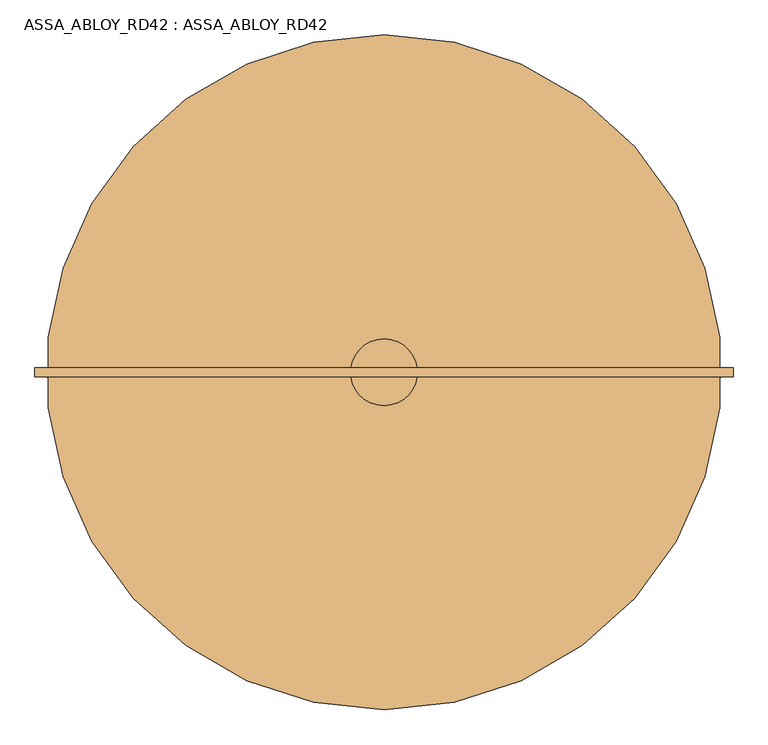
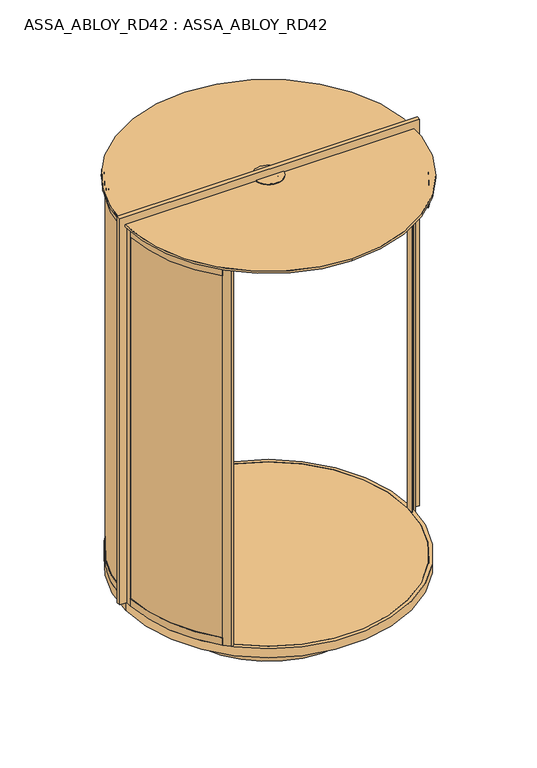
"""IFC4 building model written with IfcOpenShell, lengths in millimetres: door geometry, ASSA_ABLOY_RD42 : ASSA_ABLOY_RD42."""

from ifc_helpers import new_model, si_unit, point, frame, frame_2d, origin, origin_with_axes, place, context, project, spatial, polyline, circle_curve, trimmed, segment, composite_curve, outline, extrude, source, transform, mapped, element, save
from ifc_brep_helpers import plane_surface, cylinder_surface, revolved_surface, advanced_brep


def assa_abloy_rd42_assa_abloy_rd42_891bf0d5(model_context):
    return source(origin(), model_context, "Body", "SolidModel", [
        advanced_brep(
        [(1094.6270403, -51.6178536, 2773.0), (1120.5902772, -53.0, 2773.0), (1120.5902772, -53.0, 2723.0), (1117.5945191, -52.8405216, 2723.0), (1117.5945191, -52.8405216, 2743.0), (1097.6227984, -51.777332, 2743.0), (1097.6227984, -51.777332, 2723.0), (1094.6270403, -51.6178536, 2723.0), (825.2358565, -672.6891892, 2773.0), (825.2358565, -672.6891892, 2723.0), (827.3993041, -674.7675286, 2723.0), (827.3993041, -674.7675286, 2743.0), (841.8222877, -688.6231246, 2743.0), (841.8222877, -688.6231246, 2723.0), (843.9857353, -690.7014641, 2723.0), (843.9857353, -690.7014641, 2773.0)],
        [
            (0, 1),
            (1, 2),
            (2, 3),
            (3, 4),
            (4, 5),
            (5, 6),
            (6, 7),
            (7, 0),
            (8, 9),
            (9, 10),
            (10, 11),
            (11, 12),
            (12, 13),
            (13, 14),
            (14, 15),
            (15, 8),
            (8, 0, circle_curve(frame((125.0, 0.0, 2773.0), z_axis=(0.0, 0.0, 1.0), x_axis=(0.9985860352782786, -0.05315947843243415, 0.0)), 971.0)),
            (7, 9, circle_curve(frame((125.0, 0.0, 2723.0), z_axis=(0.0, 0.0, -1.0), x_axis=(0.9985860352782786, -0.05315947843243415, 0.0)), 971.0)),
            (6, 10, circle_curve(frame((125.0, 0.0, 2723.0), z_axis=(0.0, 0.0, -1.0), x_axis=(0.9985860352782786, -0.05315947843243415, 0.0)), 974.0)),
            (14, 2, circle_curve(frame((125.0, 0.0, 2723.0), z_axis=(0.0, 0.0, 1.0), x_axis=(0.9985860352782786, -0.05315947843243415, 0.0)), 997.0)),
            (1, 15, circle_curve(frame((125.0, 0.0, 2773.0), z_axis=(0.0, 0.0, -1.0), x_axis=(0.9985860352782786, -0.05315947843243415, 0.0)), 997.0)),
            (5, 11, circle_curve(frame((125.0, 0.0, 2743.0), z_axis=(0.0, 0.0, -1.0), x_axis=(0.9985860352782786, -0.05315947843243415, 0.0)), 974.0)),
            (4, 12, circle_curve(frame((125.0, 0.0, 2743.0), z_axis=(0.0, 0.0, -1.0), x_axis=(0.9985860352782786, -0.05315947843243415, 0.0)), 994.0)),
            (3, 13, circle_curve(frame((125.0, 0.0, 2723.0), z_axis=(0.0, 0.0, -1.0), x_axis=(0.9985860352782786, -0.05315947843243415, 0.0)), 994.0)),
        ],
        [
            plane_surface(frame((1120.5902772, -53.0, 2773.0), z_axis=(0.053159478432434126, 0.9985860352782787, 0.0), x_axis=(0.0, 0.0, 1.0))),
            plane_surface(frame((843.9857353, -690.7014641, 2773.0), z_axis=(-0.6927798034572433, -0.7211491828475877, 0.0), x_axis=(0.0, 0.0, 1.0))),
            revolved_surface(polyline([(1094.6270402552086, -51.617853557893554, 2723.0), (1094.6270402552086, -51.617853557893554, 2773.0)]), (125.0, 0.0, 2773.0), (0.0, 0.0, -1.0)),
            plane_surface(frame((125.0, 0.0, 2723.0), z_axis=(0.0, 0.0, -1.0), x_axis=(0.9985860352782787, -0.053159478432434154, 0.0))),
            cylinder_surface(frame((125.0, 0.0, 2773.0), z_axis=(0.0, 0.0, -1.0), x_axis=(0.9985860352782786, -0.05315947843243415, 0.0)), 997.0),
            plane_surface(frame((125.0, 0.0, 2773.0), z_axis=(0.0, 0.0, 1.0), x_axis=(0.9985860352782787, -0.053159478432434154, 0.0))),
            cylinder_surface(frame((125.0, 0.0, 2773.0), z_axis=(0.0, 0.0, -1.0), x_axis=(0.9985860352782786, -0.05315947843243415, 0.0)), 974.0),
            plane_surface(frame((125.0, 0.0, 2743.0), z_axis=(0.0, 0.0, -1.0), x_axis=(0.9985860352782787, -0.053159478432434154, 0.0))),
            revolved_surface(polyline([(1117.5945190666089, -52.840521561839545, 2723.0), (1117.5945190666089, -52.840521561839545, 2743.0)]), (125.0, 0.0, 2773.0), (0.0, 0.0, -1.0)),
        ],
        [
            (0, [[1, 2, 3, 4, 5, 6, 7, 8]]),
            (1, [[9, 10, 11, 12, 13, 14, 15, 16]]),
            (2, [[17, -8, 18, -9]]),
            (3, [[-18, -7, 19, -10]]),
            (4, [[20, -2, 21, -15]]),
            (5, [[-21, -1, -17, -16]]),
            (6, [[-19, -6, 22, -11]]),
            (7, [[-22, -5, 23, -12]]),
            (8, [[-23, -4, 24, -13]]),
            (3, [[-24, -3, -20, -14]]),
        ],
    ),
        extrude(outline(polyline([(1122.0, 0.0), (1122.0, -53.0), (1119.0, -53.0), (1119.0, -33.0), (1099.0, -33.0), (1099.0, -53.0), (1096.0, -53.0), (1096.0, 0.0), (1122.0, 0.0)])), origin_with_axes(), (0.0, 0.0, 1.0), 2773.0),
        extrude(outline(composite_curve([segment(trimmed(circle_curve(frame_2d((125.0, 0.0)), 979.0), [point((-567.2575388, 692.2575388))], [point((-853.4493032, 32.8323171))], True, "CARTESIAN"), True, "CONTINUOUS"), segment(polyline([(-853.4493032, 32.8323171), (-863.4436781, 33.1676829)]), True, "CONTINUOUS"), segment(trimmed(circle_curve(frame_2d((125.0, 0.0)), 989.0), [point((-863.4436781, 33.1676829))], [point((-574.3286066, 699.3286066))], False, "CARTESIAN"), True, "CONTINUOUS"), segment(polyline([(-574.3286066, 699.3286066), (-567.2575388, 692.2575388)]), True, "CONTINUOUS")], self_intersect=False)), frame((0.0, 0.0, 33.0), z_axis=(0.0, 0.0, 1.0), x_axis=(1.0, 0.0, 0.0)), (0.0, 0.0, 1.0), 2715.0),
        advanced_brep(
        [(-575.2358565, 672.6891892, 0.0), (-593.9857353, 690.701464, 0.0), (-593.9857353, 690.701464, 53.0), (-591.8222877, 688.6231246, 53.0), (-591.8222877, 688.6231246, 33.0), (-577.3993041, 674.7675286, 33.0), (-577.3993041, 674.7675286, 53.0), (-575.2358565, 672.6891892, 53.0), (-844.6270403, 51.6178536, 0.0), (-844.6270403, 51.6178536, 53.0), (-847.6227984, 51.777332, 53.0), (-847.6227984, 51.777332, 33.0), (-867.5945191, 52.8405216, 33.0), (-867.5945191, 52.8405216, 53.0), (-870.5902772, 53.0, 53.0), (-870.5902772, 53.0, 0.0)],
        [
            (0, 1),
            (1, 2),
            (2, 3),
            (3, 4),
            (4, 5),
            (5, 6),
            (6, 7),
            (7, 0),
            (8, 9),
            (9, 10),
            (10, 11),
            (11, 12),
            (12, 13),
            (13, 14),
            (14, 15),
            (15, 8),
            (8, 0, circle_curve(frame((125.0, 0.0, 0.0), z_axis=(0.0, 0.0, -1.0), x_axis=(-0.7211491828453972, 0.6927798034595233, 0.0)), 971.0)),
            (7, 9, circle_curve(frame((125.0, 0.0, 53.0), z_axis=(0.0, 0.0, 1.0), x_axis=(-0.7211491828453972, 0.6927798034595233, 0.0)), 971.0)),
            (6, 10, circle_curve(frame((125.0, 0.0, 53.0), z_axis=(0.0, 0.0, 1.0), x_axis=(-0.7211491828453972, 0.6927798034595233, 0.0)), 974.0)),
            (5, 11, circle_curve(frame((125.0, 0.0, 33.0), z_axis=(0.0, 0.0, 1.0), x_axis=(-0.7211491828453972, 0.6927798034595233, 0.0)), 974.0)),
            (4, 12, circle_curve(frame((125.0, 0.0, 33.0), z_axis=(0.0, 0.0, 1.0), x_axis=(-0.7211491828453972, 0.6927798034595233, 0.0)), 994.0)),
            (3, 13, circle_curve(frame((125.0, 0.0, 53.0), z_axis=(0.0, 0.0, 1.0), x_axis=(-0.7211491828453972, 0.6927798034595233, 0.0)), 994.0)),
            (2, 14, circle_curve(frame((125.0, 0.0, 53.0), z_axis=(0.0, 0.0, 1.0), x_axis=(-0.7211491828453972, 0.6927798034595233, 0.0)), 997.0)),
            (1, 15, circle_curve(frame((125.0, 0.0, 0.0), z_axis=(0.0, 0.0, 1.0), x_axis=(-0.7211491828453972, 0.6927798034595233, 0.0)), 997.0)),
        ],
        [
            plane_surface(frame((-593.9857353, 690.701464, 0.0), z_axis=(0.6927798034595234, 0.7211491828453973, 0.0), x_axis=(0.0, 0.0, 1.0))),
            plane_surface(frame((-870.5902772, 53.0, 0.0), z_axis=(-0.053159478434998075, -0.9985860352781423, 0.0), x_axis=(0.0, 0.0, 1.0))),
            revolved_surface(polyline([(-575.2358565428807, 672.6891891591971, 53.0), (-575.2358565428807, 672.6891891591971, 0.0)]), (125.0, 0.0, 0.0), (0.0, 0.0, 1.0)),
            plane_surface(frame((125.0, 0.0, 53.0), z_axis=(0.0, 0.0, 1.0), x_axis=(-0.7211491828453973, 0.6927798034595234, 0.0))),
            cylinder_surface(frame((125.0, 0.0, 0.0), z_axis=(0.0, 0.0, 1.0), x_axis=(-0.7211491828453972, 0.6927798034595233, 0.0)), 974.0),
            plane_surface(frame((125.0, 0.0, 33.0), z_axis=(0.0, 0.0, 1.0), x_axis=(-0.7211491828453973, 0.6927798034595234, 0.0))),
            revolved_surface(polyline([(-591.8222877483248, 688.6231246387662, 53.0), (-591.8222877483248, 688.6231246387662, 33.0)]), (125.0, 0.0, 0.0), (0.0, 0.0, 1.0)),
            cylinder_surface(frame((125.0, 0.0, 0.0), z_axis=(0.0, 0.0, 1.0), x_axis=(-0.7211491828453972, 0.6927798034595233, 0.0)), 997.0),
            plane_surface(frame((125.0, 0.0, 0.0), z_axis=(0.0, 0.0, -1.0), x_axis=(-0.7211491828453973, 0.6927798034595234, 0.0))),
        ],
        [
            (0, [[1, 2, 3, 4, 5, 6, 7, 8]]),
            (1, [[9, 10, 11, 12, 13, 14, 15, 16]]),
            (2, [[17, -8, 18, -9]]),
            (3, [[-18, -7, 19, -10]]),
            (4, [[-19, -6, 20, -11]]),
            (5, [[-20, -5, 21, -12]]),
            (6, [[-21, -4, 22, -13]]),
            (3, [[-22, -3, 23, -14]]),
            (7, [[-23, -2, 24, -15]]),
            (8, [[-24, -1, -17, -16]]),
        ],
    ),
        advanced_brep(
        [(-844.6270403, 51.6178536, 2773.0), (-870.5902772, 53.0, 2773.0), (-870.5902772, 53.0, 2723.0), (-867.5945191, 52.8405216, 2723.0), (-867.5945191, 52.8405216, 2743.0), (-847.6227984, 51.777332, 2743.0), (-847.6227984, 51.777332, 2723.0), (-844.6270403, 51.6178536, 2723.0), (-575.2358565, 672.6891892, 2773.0), (-575.2358565, 672.6891892, 2723.0), (-577.3993041, 674.7675286, 2723.0), (-577.3993041, 674.7675286, 2743.0), (-591.8222877, 688.6231246, 2743.0), (-591.8222877, 688.6231246, 2723.0), (-593.9857353, 690.701464, 2723.0), (-593.9857353, 690.701464, 2773.0)],
        [
            (0, 1),
            (1, 2),
            (2, 3),
            (3, 4),
            (4, 5),
            (5, 6),
            (6, 7),
            (7, 0),
            (8, 9),
            (9, 10),
            (10, 11),
            (11, 12),
            (12, 13),
            (13, 14),
            (14, 15),
            (15, 8),
            (8, 0, circle_curve(frame((125.0, 0.0, 2773.0), z_axis=(0.0, 0.0, 1.0), x_axis=(-0.9985860352779656, 0.05315947843831304, 0.0)), 971.0)),
            (7, 9, circle_curve(frame((125.0, 0.0, 2723.0), z_axis=(0.0, 0.0, -1.0), x_axis=(-0.9985860352779656, 0.05315947843831304, 0.0)), 971.0)),
            (6, 10, circle_curve(frame((125.0, 0.0, 2723.0), z_axis=(0.0, 0.0, -1.0), x_axis=(-0.9985860352779656, 0.05315947843831304, 0.0)), 974.0)),
            (14, 2, circle_curve(frame((125.0, 0.0, 2723.0), z_axis=(0.0, 0.0, 1.0), x_axis=(-0.9985860352779656, 0.05315947843831304, 0.0)), 997.0)),
            (1, 15, circle_curve(frame((125.0, 0.0, 2773.0), z_axis=(0.0, 0.0, -1.0), x_axis=(-0.9985860352779656, 0.05315947843831304, 0.0)), 997.0)),
            (5, 11, circle_curve(frame((125.0, 0.0, 2743.0), z_axis=(0.0, 0.0, -1.0), x_axis=(-0.9985860352779656, 0.05315947843831304, 0.0)), 974.0)),
            (4, 12, circle_curve(frame((125.0, 0.0, 2743.0), z_axis=(0.0, 0.0, -1.0), x_axis=(-0.9985860352779656, 0.05315947843831304, 0.0)), 994.0)),
            (3, 13, circle_curve(frame((125.0, 0.0, 2723.0), z_axis=(0.0, 0.0, -1.0), x_axis=(-0.9985860352779656, 0.05315947843831304, 0.0)), 994.0)),
        ],
        [
            plane_surface(frame((-870.5902772, 53.0, 2773.0), z_axis=(-0.05315947843831305, -0.9985860352779657, 0.0), x_axis=(0.0, 0.0, 1.0))),
            plane_surface(frame((-593.9857353, 690.701464, 2773.0), z_axis=(0.6927798034621091, 0.7211491828429132, 0.0), x_axis=(0.0, 0.0, 1.0))),
            revolved_surface(polyline([(-844.6270402549046, 51.61785356360196, 2723.0), (-844.6270402549046, 51.61785356360196, 2773.0)]), (125.0, 0.0, 2773.0), (0.0, 0.0, -1.0)),
            plane_surface(frame((125.0, 0.0, 2723.0), z_axis=(0.0, 0.0, -1.0), x_axis=(-0.9985860352779657, 0.05315947843831305, 0.0))),
            cylinder_surface(frame((125.0, 0.0, 2773.0), z_axis=(0.0, 0.0, -1.0), x_axis=(-0.9985860352779656, 0.05315947843831304, 0.0)), 997.0),
            plane_surface(frame((125.0, 0.0, 2773.0), z_axis=(0.0, 0.0, 1.0), x_axis=(-0.9985860352779657, 0.05315947843831305, 0.0))),
            cylinder_surface(frame((125.0, 0.0, 2773.0), z_axis=(0.0, 0.0, -1.0), x_axis=(-0.9985860352779656, 0.05315947843831304, 0.0)), 974.0),
            plane_surface(frame((125.0, 0.0, 2743.0), z_axis=(0.0, 0.0, -1.0), x_axis=(-0.9985860352779657, 0.05315947843831305, 0.0))),
            revolved_surface(polyline([(-867.5945190662978, 52.84052156768316, 2723.0), (-867.5945190662978, 52.84052156768316, 2743.0)]), (125.0, 0.0, 2773.0), (0.0, 0.0, -1.0)),
        ],
        [
            (0, [[1, 2, 3, 4, 5, 6, 7, 8]]),
            (1, [[9, 10, 11, 12, 13, 14, 15, 16]]),
            (2, [[17, -8, 18, -9]]),
            (3, [[-18, -7, 19, -10]]),
            (4, [[20, -2, 21, -15]]),
            (5, [[-21, -1, -17, -16]]),
            (6, [[-19, -6, 22, -11]]),
            (7, [[-22, -5, 23, -12]]),
            (8, [[-23, -4, 24, -13]]),
            (3, [[-24, -3, -20, -14]]),
        ],
    ),
        extrude(outline(composite_curve([segment(polyline([(-577.863883, 702.863883), (-592.0060186, 688.7217474), (-594.1270815, 690.8428103), (-549.5793543, 735.3905375), (-550.2864632, 736.0976464), (-529.0719672, 757.3121425)]), True, "CONTINUOUS"), segment(trimmed(circle_curve(frame_2d((-519.1727276, 747.4129028)), 13.9996389), [point((-529.0719672, 757.3121425))], [point((-509.273488, 737.5136632))], False, "CARTESIAN"), True, "CONTINUOUS"), segment(polyline([(-509.273488, 737.5136632), (-530.487984, 716.2991672), (-531.1950929, 717.0062761), (-575.7428202, 672.4585489), (-577.863883, 674.5796118), (-563.7217474, 688.7217474), (-577.863883, 702.863883)]), True, "CONTINUOUS")], self_intersect=False)), origin_with_axes(), (0.0, 0.0, 1.0), 2773.0),
        extrude(outline(polyline([(-872.0, 0.0), (-872.0, 53.0), (-869.0, 53.0), (-869.0, 33.0), (-849.0, 33.0), (-849.0, 53.0), (-846.0, 53.0), (-846.0, 0.0), (-872.0, 0.0)])), origin_with_axes(), (0.0, 0.0, 1.0), 2773.0),
        extrude(outline(composite_curve([segment(trimmed(circle_curve(frame_2d((125.0, 0.0)), 989.0), [point((-574.3286066, -699.3286066))], [point((-863.4436781, -33.1676829))], False, "CARTESIAN"), True, "CONTINUOUS"), segment(polyline([(-863.4436781, -33.1676829), (-853.4493032, -32.8323171)]), True, "CONTINUOUS"), segment(trimmed(circle_curve(frame_2d((125.0, 0.0)), 979.0), [point((-853.4493032, -32.8323171))], [point((-567.2575388, -692.2575388))], True, "CARTESIAN"), True, "CONTINUOUS"), segment(polyline([(-567.2575388, -692.2575388), (-574.3286066, -699.3286066)]), True, "CONTINUOUS")], self_intersect=False)), frame((0.0, 0.0, 33.0), z_axis=(0.0, 0.0, 1.0), x_axis=(1.0, 0.0, 0.0)), (0.0, 0.0, 1.0), 2715.0),
        advanced_brep(
        [(-575.2358565, -672.6891892, 0.0), (-575.2358565, -672.6891892, 53.0), (-577.3993041, -674.7675286, 53.0), (-577.3993041, -674.7675286, 33.0), (-591.8222877, -688.6231246, 33.0), (-591.8222877, -688.6231246, 53.0), (-593.9857353, -690.701464, 53.0), (-593.9857353, -690.701464, 0.0), (-844.6270403, -51.6178536, 0.0), (-870.5902772, -53.0, 0.0), (-870.5902772, -53.0, 53.0), (-867.5945191, -52.8405216, 53.0), (-867.5945191, -52.8405216, 33.0), (-847.6227984, -51.777332, 33.0), (-847.6227984, -51.777332, 53.0), (-844.6270403, -51.6178536, 53.0)],
        [
            (0, 1),
            (1, 2),
            (2, 3),
            (3, 4),
            (4, 5),
            (5, 6),
            (6, 7),
            (7, 0),
            (8, 9),
            (9, 10),
            (10, 11),
            (11, 12),
            (12, 13),
            (13, 14),
            (14, 15),
            (15, 8),
            (15, 1, circle_curve(frame((125.0, 0.0, 53.0), z_axis=(0.0, 0.0, 1.0), x_axis=(-0.72114918284517, -0.6927798034597599, 0.0)), 971.0)),
            (0, 8, circle_curve(frame((125.0, 0.0, 0.0), z_axis=(0.0, 0.0, -1.0), x_axis=(-0.72114918284517, -0.6927798034597599, 0.0)), 971.0)),
            (14, 2, circle_curve(frame((125.0, 0.0, 53.0), z_axis=(0.0, 0.0, 1.0), x_axis=(-0.72114918284517, -0.6927798034597599, 0.0)), 974.0)),
            (13, 3, circle_curve(frame((125.0, 0.0, 33.0), z_axis=(0.0, 0.0, 1.0), x_axis=(-0.72114918284517, -0.6927798034597599, 0.0)), 974.0)),
            (12, 4, circle_curve(frame((125.0, 0.0, 33.0), z_axis=(0.0, 0.0, 1.0), x_axis=(-0.72114918284517, -0.6927798034597599, 0.0)), 994.0)),
            (11, 5, circle_curve(frame((125.0, 0.0, 53.0), z_axis=(0.0, 0.0, 1.0), x_axis=(-0.72114918284517, -0.6927798034597599, 0.0)), 994.0)),
            (10, 6, circle_curve(frame((125.0, 0.0, 53.0), z_axis=(0.0, 0.0, 1.0), x_axis=(-0.72114918284517, -0.6927798034597599, 0.0)), 997.0)),
            (9, 7, circle_curve(frame((125.0, 0.0, 0.0), z_axis=(0.0, 0.0, 1.0), x_axis=(-0.72114918284517, -0.6927798034597599, 0.0)), 997.0)),
        ],
        [
            plane_surface(frame((-593.9857353, -690.701464, 0.0), z_axis=(0.6927798034597599, -0.7211491828451702, 0.0), x_axis=(0.0, 0.0, 1.0))),
            plane_surface(frame((-870.5902772, -53.0, 0.0), z_axis=(-0.05315947843611757, 0.9985860352780827, 0.0), x_axis=(0.0, 0.0, 1.0))),
            revolved_surface(polyline([(-575.2358565426601, -672.6891891594269, 0.0), (-575.2358565426601, -672.6891891594269, 53.0)]), (125.0, 0.0, 0.0), (0.0, 0.0, -1.0)),
            plane_surface(frame((125.0, 0.0, 53.0), z_axis=(0.0, 0.0, 1.0), x_axis=(-0.72114918284517, -0.6927798034597599, 0.0))),
            cylinder_surface(frame((125.0, 0.0, 0.0), z_axis=(0.0, 0.0, -1.0), x_axis=(-0.72114918284517, -0.6927798034597599, 0.0)), 974.0),
            plane_surface(frame((125.0, 0.0, 33.0), z_axis=(0.0, 0.0, 1.0), x_axis=(-0.72114918284517, -0.6927798034597599, 0.0))),
            revolved_surface(polyline([(-591.822287748099, -688.6231246390013, 33.0), (-591.822287748099, -688.6231246390013, 53.0)]), (125.0, 0.0, 0.0), (0.0, 0.0, -1.0)),
            cylinder_surface(frame((125.0, 0.0, 0.0), z_axis=(0.0, 0.0, -1.0), x_axis=(-0.72114918284517, -0.6927798034597599, 0.0)), 997.0),
            plane_surface(frame((125.0, 0.0, 0.0), z_axis=(0.0, 0.0, -1.0), x_axis=(-0.72114918284517, -0.6927798034597599, 0.0))),
        ],
        [
            (0, [[1, 2, 3, 4, 5, 6, 7, 8]]),
            (1, [[9, 10, 11, 12, 13, 14, 15, 16]]),
            (2, [[17, -1, 18, -16]]),
            (3, [[19, -2, -17, -15]]),
            (4, [[20, -3, -19, -14]]),
            (5, [[21, -4, -20, -13]]),
            (6, [[22, -5, -21, -12]]),
            (3, [[23, -6, -22, -11]]),
            (7, [[24, -7, -23, -10]]),
            (8, [[-18, -8, -24, -9]]),
        ],
    ),
        advanced_brep(
        [(-844.6270403, -51.6178536, 2773.0), (-844.6270403, -51.6178536, 2723.0), (-847.6227984, -51.777332, 2723.0), (-847.6227984, -51.777332, 2743.0), (-867.5945191, -52.8405216, 2743.0), (-867.5945191, -52.8405216, 2723.0), (-870.5902772, -53.0, 2723.0), (-870.5902772, -53.0, 2773.0), (-575.2358565, -672.6891892, 2773.0), (-593.9857353, -690.7014641, 2773.0), (-593.9857353, -690.7014641, 2723.0), (-591.8222878, -688.6231246, 2723.0), (-591.8222878, -688.6231246, 2743.0), (-577.3993041, -674.7675286, 2743.0), (-577.3993041, -674.7675286, 2723.0), (-575.2358565, -672.6891892, 2723.0)],
        [
            (0, 1),
            (1, 2),
            (2, 3),
            (3, 4),
            (4, 5),
            (5, 6),
            (6, 7),
            (7, 0),
            (8, 9),
            (9, 10),
            (10, 11),
            (11, 12),
            (12, 13),
            (13, 14),
            (14, 15),
            (15, 8),
            (15, 1, circle_curve(frame((125.0, 0.0, 2723.0), z_axis=(0.0, 0.0, -1.0), x_axis=(-0.998586035278223, -0.053159478433480345, 0.0)), 971.0)),
            (0, 8, circle_curve(frame((125.0, 0.0, 2773.0), z_axis=(0.0, 0.0, 1.0), x_axis=(-0.998586035278223, -0.053159478433480345, 0.0)), 971.0)),
            (14, 2, circle_curve(frame((125.0, 0.0, 2723.0), z_axis=(0.0, 0.0, -1.0), x_axis=(-0.998586035278223, -0.053159478433480345, 0.0)), 974.0)),
            (9, 7, circle_curve(frame((125.0, 0.0, 2773.0), z_axis=(0.0, 0.0, -1.0), x_axis=(-0.998586035278223, -0.053159478433480345, 0.0)), 997.0)),
            (6, 10, circle_curve(frame((125.0, 0.0, 2723.0), z_axis=(0.0, 0.0, 1.0), x_axis=(-0.998586035278223, -0.053159478433480345, 0.0)), 997.0)),
            (13, 3, circle_curve(frame((125.0, 0.0, 2743.0), z_axis=(0.0, 0.0, -1.0), x_axis=(-0.998586035278223, -0.053159478433480345, 0.0)), 974.0)),
            (12, 4, circle_curve(frame((125.0, 0.0, 2743.0), z_axis=(0.0, 0.0, -1.0), x_axis=(-0.998586035278223, -0.053159478433480345, 0.0)), 994.0)),
            (11, 5, circle_curve(frame((125.0, 0.0, 2723.0), z_axis=(0.0, 0.0, -1.0), x_axis=(-0.998586035278223, -0.053159478433480345, 0.0)), 994.0)),
        ],
        [
            plane_surface(frame((-870.5902772, -53.0, 2773.0), z_axis=(-0.053159478433480345, 0.998586035278223, 0.0), x_axis=(0.0, 0.0, 1.0))),
            plane_surface(frame((-593.9857353, -690.7014641, 2773.0), z_axis=(0.6927798034594096, -0.7211491828455066, 0.0), x_axis=(0.0, 0.0, 1.0))),
            revolved_surface(polyline([(-844.6270402551545, -51.61785355890942, 2773.0), (-844.6270402551545, -51.61785355890942, 2723.0)]), (125.0, 0.0, 2773.0), (0.0, 0.0, 1.0)),
            plane_surface(frame((125.0, 0.0, 2723.0), z_axis=(0.0, 0.0, -1.0), x_axis=(-0.998586035278223, -0.053159478433480345, 0.0))),
            cylinder_surface(frame((125.0, 0.0, 2773.0), z_axis=(0.0, 0.0, 1.0), x_axis=(-0.998586035278223, -0.053159478433480345, 0.0)), 997.0),
            plane_surface(frame((125.0, 0.0, 2773.0), z_axis=(0.0, 0.0, 1.0), x_axis=(-0.998586035278223, -0.053159478433480345, 0.0))),
            cylinder_surface(frame((125.0, 0.0, 2773.0), z_axis=(0.0, 0.0, 1.0), x_axis=(-0.998586035278223, -0.053159478433480345, 0.0)), 974.0),
            plane_surface(frame((125.0, 0.0, 2743.0), z_axis=(0.0, 0.0, -1.0), x_axis=(-0.998586035278223, -0.053159478433480345, 0.0))),
            revolved_surface(polyline([(-867.5945190665536, -52.84052156287946, 2743.0), (-867.5945190665536, -52.84052156287946, 2723.0)]), (125.0, 0.0, 2773.0), (0.0, 0.0, 1.0)),
        ],
        [
            (0, [[1, 2, 3, 4, 5, 6, 7, 8]]),
            (1, [[9, 10, 11, 12, 13, 14, 15, 16]]),
            (2, [[17, -1, 18, -16]]),
            (3, [[19, -2, -17, -15]]),
            (4, [[20, -7, 21, -10]]),
            (5, [[-18, -8, -20, -9]]),
            (6, [[22, -3, -19, -14]]),
            (7, [[23, -4, -22, -13]]),
            (8, [[24, -5, -23, -12]]),
            (3, [[-21, -6, -24, -11]]),
        ],
    ),
        extrude(outline(composite_curve([segment(polyline([(-577.863883, -702.863883), (-563.7217474, -688.7217474), (-577.863883, -674.5796118), (-575.7428202, -672.4585489), (-538.9730103, -709.2283587)]), True, "CONTINUOUS"), segment(trimmed(circle_curve(frame_2d((-548.1651408, -718.4204896)), 12.9996359), [point((-538.9730103, -709.2283587))], [point((-557.3572715, -727.6126203))], False, "CARTESIAN"), True, "CONTINUOUS"), segment(polyline([(-557.3572715, -727.6126203), (-594.1270815, -690.8428103), (-592.0060186, -688.7217474), (-577.863883, -702.863883)]), True, "CONTINUOUS")], self_intersect=False)), origin_with_axes(), (0.0, 0.0, 1.0), 2773.0),
        extrude(outline(polyline([(-872.0, 0.0), (-846.0, 0.0), (-846.0, -53.0), (-849.0, -53.0), (-849.0, -33.0), (-869.0, -33.0), (-869.0, -53.0), (-872.0, -53.0), (-872.0, 0.0)])), origin_with_axes(), (0.0, 0.0, 1.0), 2773.0),
        extrude(outline(composite_curve([segment(trimmed(circle_curve(frame_2d((125.0, 0.0)), 971.0), [point((-846.0, 0.0))], [point((1096.0, 0.0))], False, "CARTESIAN"), True, "CONTINUOUS"), segment(trimmed(circle_curve(frame_2d((125.0, 0.0)), 971.0), [point((1096.0, 0.0))], [point((-846.0, 0.0))], False, "CARTESIAN"), True, "CONTINUOUS")], self_intersect=False)), frame((0.0, 0.0, -22.0), z_axis=(0.0, 0.0, 1.0), x_axis=(1.0, 0.0, 0.0)), (0.0, 0.0, 1.0), 22.0),
        extrude(outline(polyline([(2794.0, 1137.0), (2778.0, 1137.0), (2778.0, 1122.0), (0.0, 1122.0), (0.0, 1172.0), (2850.0, 1172.0), (2850.0, -922.0), (0.0, -922.0), (0.0, -872.0), (2778.0, -872.0), (2778.0, -887.0), (2794.0, -887.0), (2794.0, 1137.0)])), frame((0.0, -14.0, 0.0), z_axis=(0.0, 1.0, 0.0), x_axis=(0.0, 0.0, 1.0)), (0.0, 0.0, 1.0), 28.0),
        advanced_brep(
        [(1122.0, 0.0, -65.0), (-872.0, 0.0, -65.0), (-872.0, 0.0, 0.0), (1122.0, 0.0, 0.0), (125.0, 0.0, -65.0), (1096.0, 0.0, -23.0), (-846.0, 0.0, -23.0), (125.0, 0.0, -23.0), (1096.0, 0.0, 0.0), (-846.0, 0.0, 0.0)],
        [
            (0, 1, circle_curve(frame((125.0, 0.0, -65.0), z_axis=(0.0, 0.0, 1.0), x_axis=(-1.0, 0.0, 0.0)), 997.0)),
            (1, 2),
            (2, 3, circle_curve(frame((125.0, 0.0, 0.0), z_axis=(0.0, 0.0, -1.0), x_axis=(-1.0, 0.0, 0.0)), 997.0)),
            (3, 0),
            (1, 0, circle_curve(frame((125.0, 0.0, -65.0), z_axis=(0.0, 0.0, 1.0), x_axis=(-1.0, 0.0, 0.0)), 997.0)),
            (3, 2, circle_curve(frame((125.0, 0.0, 0.0), z_axis=(0.0, 0.0, -1.0), x_axis=(-1.0, 0.0, 0.0)), 997.0)),
            (0, 4),
            (4, 1),
            (5, 6, circle_curve(frame((125.0, 0.0, -23.0), z_axis=(0.0, 0.0, 1.0), x_axis=(-1.0, 0.0, 0.0)), 971.0)),
            (6, 7),
            (7, 5),
            (6, 5, circle_curve(frame((125.0, 0.0, -23.0), z_axis=(0.0, 0.0, 1.0), x_axis=(-1.0, 0.0, 0.0)), 971.0)),
            (5, 8),
            (8, 9, circle_curve(frame((125.0, 0.0, 0.0), z_axis=(0.0, 0.0, 1.0), x_axis=(-1.0, 0.0, 0.0)), 971.0)),
            (9, 6),
            (9, 8, circle_curve(frame((125.0, 0.0, 0.0), z_axis=(0.0, 0.0, 1.0), x_axis=(-1.0, 0.0, 0.0)), 971.0)),
            (2, 9),
            (8, 3),
        ],
        [
            cylinder_surface(frame((125.0, 0.0, -20.0), z_axis=(0.0, 0.0, -1.0), x_axis=(-1.0, 0.0, 0.0)), 997.0),
            plane_surface(frame((125.0, 0.0, -65.0), z_axis=(0.0, 0.0, -1.0), x_axis=(-1.0, 0.0, 0.0))),
            plane_surface(frame((125.0, 0.0, -23.0), z_axis=(0.0, 0.0, 1.0), x_axis=(-1.0, 0.0, 0.0))),
            revolved_surface(polyline([(-846.0, 0.0, -23.0), (-846.0, 0.0, 0.0)]), (125.0, 0.0, -20.0), (0.0, 0.0, -1.0)),
            plane_surface(frame((125.0, 0.0, 0.0), z_axis=(0.0, 0.0, 1.0), x_axis=(-1.0, 0.0, 0.0))),
        ],
        [
            (0, [[1, 2, 3, 4]]),
            (0, [[-2, 5, -4, 6]]),
            (1, [[-1, 7, 8]]),
            (1, [[-5, -8, -7]]),
            (2, [[9, 10, 11]]),
            (2, [[-10, 12, -11]]),
            (3, [[-9, 13, 14, 15]]),
            (3, [[-12, -15, 16, -13]]),
            (4, [[-3, 17, -14, 18]]),
            (4, [[-6, -18, -16, -17]]),
        ],
    ),
        advanced_brep(
        [(125.0, 1012.0, 2794.0), (125.0, -1012.0, 2794.0), (65.0, 0.0, 2794.0), (185.0, 0.0, 2794.0), (125.0, 1012.0, 2778.0), (125.0, -1012.0, 2778.0), (185.0, 0.0, 2778.0), (65.0, 0.0, 2778.0)],
        [
            (0, 1, circle_curve(frame((125.0, 0.0, 2794.0), z_axis=(0.0, 0.0, 1.0), x_axis=(0.0, -1.0, 0.0)), 1012.0)),
            (1, 0, circle_curve(frame((125.0, 0.0, 2794.0), z_axis=(0.0, 0.0, 1.0), x_axis=(0.0, -1.0, 0.0)), 1012.0)),
            (2, 3, circle_curve(frame((125.0, 0.0, 2794.0), z_axis=(0.0, 0.0, -1.0), x_axis=(-1.0, 0.0, 0.0)), 60.0)),
            (3, 2, circle_curve(frame((125.0, 0.0, 2794.0), z_axis=(0.0, 0.0, -1.0), x_axis=(-1.0, 0.0, 0.0)), 60.0)),
            (4, 5, circle_curve(frame((125.0, 0.0, 2778.0), z_axis=(0.0, 0.0, -1.0), x_axis=(0.0, -1.0, 0.0)), 1012.0)),
            (5, 4, circle_curve(frame((125.0, 0.0, 2778.0), z_axis=(0.0, 0.0, -1.0), x_axis=(0.0, -1.0, 0.0)), 1012.0)),
            (6, 7, circle_curve(frame((125.0, 0.0, 2778.0), z_axis=(0.0, 0.0, 1.0), x_axis=(-1.0, 0.0, 0.0)), 60.0)),
            (7, 6, circle_curve(frame((125.0, 0.0, 2778.0), z_axis=(0.0, 0.0, 1.0), x_axis=(-1.0, 0.0, 0.0)), 60.0)),
            (0, 4),
            (5, 1),
            (6, 3),
            (2, 7),
        ],
        [
            plane_surface(frame((125.0, -1012.0, 2794.0), z_axis=(0.0, 0.0, 1.0), x_axis=(1.0, 0.0, 0.0))),
            plane_surface(frame((125.0, -1012.0, 2778.0), z_axis=(0.0, 0.0, -1.0), x_axis=(-1.0, 0.0, 0.0))),
            cylinder_surface(frame((125.0, 0.0, 2794.0), z_axis=(0.0, 0.0, -1.0), x_axis=(0.0, -1.0, 0.0)), 1012.0),
            revolved_surface(polyline([(65.0, 0.0, 2794.0), (65.0, 0.0, 2778.0)]), (125.0, 0.0, 2723.0), (0.0, 0.0, 1.0)),
        ],
        [
            (0, [[1, 2], [3, 4]]),
            (1, [[5, 6], [7, 8]]),
            (2, [[-1, 9, -6, 10]]),
            (2, [[-2, -10, -5, -9]]),
            (3, [[11, -3, 12, -7]]),
            (3, [[-11, -8, -12, -4]]),
        ],
    ),
        extrude(outline(composite_curve([segment(trimmed(circle_curve(frame_2d((125.0, 0.0)), 645.0), [point((-520.0, 0.0))], [point((770.0, 0.0))], False, "CARTESIAN"), True, "CONTINUOUS"), segment(trimmed(circle_curve(frame_2d((125.0, 0.0)), 645.0), [point((770.0, 0.0))], [point((-520.0, 0.0))], False, "CARTESIAN"), True, "CONTINUOUS")], self_intersect=False)), frame((0.0, 0.0, -340.0), z_axis=(0.0, 0.0, 1.0), x_axis=(1.0, 0.0, 0.0)), (0.0, 0.0, 1.0), 275.0),
        advanced_brep(
        [(125.0, -90.0, 2778.0), (125.0, 90.0, 2778.0), (125.0, 90.0, 2772.0), (125.0, -90.0, 2772.0), (125.0, -60.0, 2794.0), (125.0, 60.0, 2794.0), (125.0, 60.0, 2778.0), (125.0, -60.0, 2778.0), (125.0, -100.0, 2800.0), (125.0, 100.0, 2800.0), (125.0, 100.0, 2794.0), (125.0, -100.0, 2794.0), (125.0, 30.0, 2772.0), (125.0, -30.0, 2772.0), (125.0, 30.0, 2778.0), (125.0, -30.0, 2778.0)],
        [
            (0, 1, circle_curve(frame((125.0, 0.0, 2778.0), z_axis=(0.0, 0.0, -1.0), x_axis=(0.0, 1.0, 0.0)), 90.0)),
            (1, 2),
            (2, 3, circle_curve(frame((125.0, 0.0, 2772.0), z_axis=(0.0, 0.0, 1.0), x_axis=(0.0, 1.0, 0.0)), 90.0)),
            (3, 0),
            (4, 5, circle_curve(frame((125.0, 0.0, 2794.0), z_axis=(0.0, 0.0, -1.0), x_axis=(0.0, 1.0, 0.0)), 60.0)),
            (5, 6),
            (6, 7, circle_curve(frame((125.0, 0.0, 2778.0), z_axis=(0.0, 0.0, 1.0), x_axis=(0.0, 1.0, 0.0)), 60.0)),
            (7, 4),
            (8, 9, circle_curve(frame((125.0, 0.0, 2800.0), z_axis=(0.0, 0.0, -1.0), x_axis=(0.0, 1.0, 0.0)), 100.0)),
            (9, 10),
            (10, 11, circle_curve(frame((125.0, 0.0, 2794.0), z_axis=(0.0, 0.0, 1.0), x_axis=(0.0, 1.0, 0.0)), 100.0)),
            (11, 8),
            (1, 0, circle_curve(frame((125.0, 0.0, 2778.0), z_axis=(0.0, 0.0, -1.0), x_axis=(0.0, -1.0, 0.0)), 90.0)),
            (3, 2, circle_curve(frame((125.0, 0.0, 2772.0), z_axis=(0.0, 0.0, 1.0), x_axis=(0.0, -1.0, 0.0)), 90.0)),
            (6, 7, circle_curve(frame((125.0, 0.0, 2778.0), z_axis=(0.0, 0.0, -1.0), x_axis=(0.0, -1.0, 0.0)), 60.0)),
            (5, 4, circle_curve(frame((125.0, 0.0, 2794.0), z_axis=(0.0, 0.0, -1.0), x_axis=(0.0, -1.0, 0.0)), 60.0)),
            (10, 11, circle_curve(frame((125.0, 0.0, 2794.0), z_axis=(0.0, 0.0, -1.0), x_axis=(0.0, -1.0, 0.0)), 100.0)),
            (9, 8, circle_curve(frame((125.0, 0.0, 2800.0), z_axis=(0.0, 0.0, -1.0), x_axis=(0.0, -1.0, 0.0)), 100.0)),
            (12, 13, circle_curve(frame((125.0, 0.0, 2772.0), z_axis=(0.0, 0.0, 1.0), x_axis=(0.0, 1.0, 0.0)), 30.0)),
            (13, 12, circle_curve(frame((125.0, 0.0, 2772.0), z_axis=(0.0, 0.0, 1.0), x_axis=(0.0, -1.0, 0.0)), 30.0)),
            (12, 14),
            (14, 15, circle_curve(frame((125.0, 0.0, 2778.0), z_axis=(0.0, 0.0, 1.0), x_axis=(0.0, 1.0, 0.0)), 30.0)),
            (15, 13),
            (15, 14, circle_curve(frame((125.0, 0.0, 2778.0), z_axis=(0.0, 0.0, 1.0), x_axis=(0.0, -1.0, 0.0)), 30.0)),
        ],
        [
            cylinder_surface(frame((125.0, 0.0, 2778.0), z_axis=(0.0, 0.0, 1.0), x_axis=(0.0, 1.0, 0.0)), 90.0),
            cylinder_surface(frame((125.0, 0.0, 2778.0), z_axis=(0.0, 0.0, 1.0), x_axis=(0.0, 1.0, 0.0)), 60.0),
            cylinder_surface(frame((125.0, 0.0, 2778.0), z_axis=(0.0, 0.0, 1.0), x_axis=(0.0, 1.0, 0.0)), 100.0),
            cylinder_surface(frame((125.0, 0.0, 2778.0), z_axis=(0.0, 0.0, 1.0), x_axis=(0.0, -1.0, 0.0)), 90.0),
            plane_surface(frame((125.0, 0.0, 2778.0), z_axis=(0.0, 0.0, 1.0), x_axis=(0.0, -1.0, 0.0))),
            cylinder_surface(frame((125.0, 0.0, 2778.0), z_axis=(0.0, 0.0, 1.0), x_axis=(0.0, -1.0, 0.0)), 60.0),
            plane_surface(frame((125.0, 0.0, 2794.0), z_axis=(0.0, 0.0, -1.0), x_axis=(0.0, -1.0, 0.0))),
            cylinder_surface(frame((125.0, 0.0, 2778.0), z_axis=(0.0, 0.0, 1.0), x_axis=(0.0, -1.0, 0.0)), 100.0),
            plane_surface(frame((125.0, 0.0, 2800.0), z_axis=(0.0, 0.0, 1.0), x_axis=(0.0, -1.0, 0.0))),
            plane_surface(frame((125.0, 0.0, 2772.0), z_axis=(0.0, 0.0, -1.0), x_axis=(0.0, -1.0, 0.0))),
            revolved_surface(polyline([(125.0, 30.0, 2778.0), (125.0, 30.0, 2772.0)]), (125.0, 0.0, 2778.0), (0.0, 0.0, 1.0)),
            revolved_surface(polyline([(125.0, -30.0, 2778.0), (125.0, -30.0, 2772.0)]), (125.0, 0.0, 2778.0), (0.0, 0.0, 1.0)),
            plane_surface(frame((125.0, -30.0, 2778.0), z_axis=(0.0, 0.0, -1.0), x_axis=(-1.0, 0.0, 0.0))),
        ],
        [
            (0, [[1, 2, 3, 4]]),
            (1, [[5, 6, 7, 8]]),
            (2, [[9, 10, 11, 12]]),
            (3, [[-2, 13, -4, 14]]),
            (4, [[-1, -13], [-7, 15]]),
            (5, [[-6, 16, -8, -15]]),
            (6, [[-11, 17], [-5, -16]]),
            (7, [[-10, 18, -12, -17]]),
            (8, [[-9, -18]]),
            (9, [[-3, -14], [19, 20]]),
            (10, [[-19, 21, 22, 23]]),
            (11, [[-20, -23, 24, -21]]),
            (12, [[-22, -24]]),
        ],
    ),
    ])


if __name__ == "__main__":
    model = new_model("IFC4")
    model_context = context("Model", 3, world=origin())
    ifc_project = project(units=[si_unit("LENGTHUNIT", "METRE", prefix="MILLI")], contexts=[model_context])
    site = spatial("IfcSite", under=ifc_project)
    building = spatial("IfcBuilding", under=site)
    placement = place(None, origin())
    assa_abloy_rd42_assa_abloy_rd42_shape = assa_abloy_rd42_assa_abloy_rd42_891bf0d5(model_context)
    element("IfcDoor", 1, ObjectType="ASSA_ABLOY_RD42 : ASSA_ABLOY_RD42", at=placement, inside=building, context=model_context, shape_type="MappedRepresentation", body=[
        mapped(assa_abloy_rd42_assa_abloy_rd42_shape, transform((0.0, 0.0, 0.0), x_axis=(1.0, 0.0, 0.0), y_axis=(0.0, 1.0, 0.0), z_axis=(0.0, 0.0, 1.0))),
    ])
    save(model, "model.ifc")
